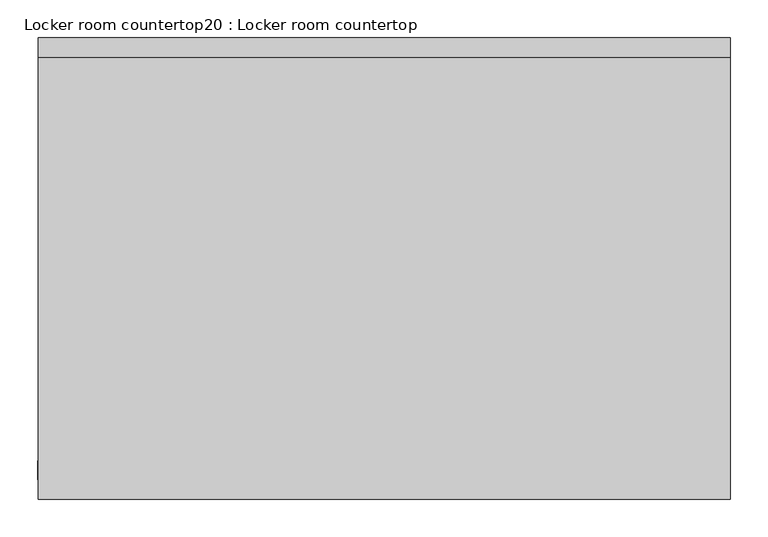
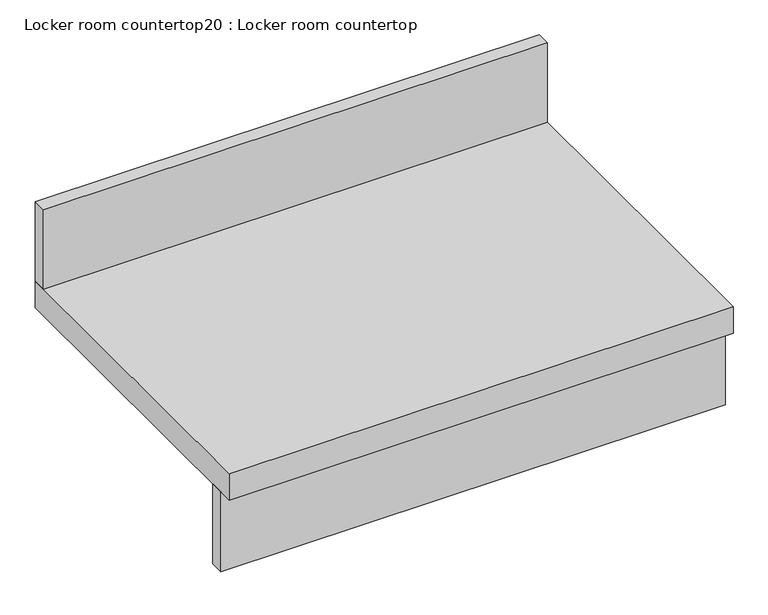
"""IFC4 building model written with IfcOpenShell, lengths in millimetres: furniture geometry, Locker room countertop20 : Locker room countertop."""

from ifc_helpers import new_model, si_unit, frame, origin, place, context, project, spatial, polyline, outline, extrude, source, transform, mapped, element, save


def locker_room_countertop20_locker_room_countertop_1794f9cd(model_context):
    return source(origin(), model_context, "Body", "SweptSolid", [
        extrude(outline(polyline([(593051.574014, -322135.3233948), (593051.574014, -322109.9233948), (593966.7780684, -322109.9233948), (593966.7780684, -322135.3233948), (593051.574014, -322135.3233948)])), frame((0.0, 0.0, 660.4), z_axis=(0.0, 0.0, 1.0), x_axis=(1.0, 0.0, 0.0)), (0.0, 0.0, 1.0), 152.4),
        extrude(outline(polyline([(593966.7780684, -321576.5233948), (593052.3780684, -321576.5233948), (593052.3780684, -321551.1233948), (593966.7780684, -321551.1233948), (593966.7780684, -321576.5233948)])), frame((0.0, 0.0, 863.6), z_axis=(0.0, 0.0, 1.0), x_axis=(1.0, 0.0, 0.0)), (0.0, 0.0, 1.0), 152.4),
        extrude(outline(polyline([(593966.7780684, -322160.7233948), (593052.3780684, -322160.7233948), (593052.3780684, -321551.1233948), (593966.7780684, -321551.1233948), (593966.7780684, -322160.7233948)])), frame((0.0, 0.0, 812.8), z_axis=(0.0, 0.0, 1.0), x_axis=(1.0, 0.0, 0.0)), (0.0, 0.0, 1.0), 50.8),
    ])


if __name__ == "__main__":
    model = new_model("IFC4")
    model_context = context("Model", 3, world=origin())
    ifc_project = project(units=[si_unit("LENGTHUNIT", "METRE", prefix="MILLI")], contexts=[model_context])
    site = spatial("IfcSite", under=ifc_project)
    building = spatial("IfcBuilding", under=site)
    placement = place(None, origin())
    locker_room_countertop20_locker_room_countertop_shape = locker_room_countertop20_locker_room_countertop_1794f9cd(model_context)
    element("IfcFurniture", 1, ObjectType="Locker room countertop20 : Locker room countertop", at=placement, inside=building, context=model_context, shape_type="MappedRepresentation", body=[
        mapped(locker_room_countertop20_locker_room_countertop_shape, transform((0.0, 0.0, 0.0), x_axis=(1.0, 0.0, 0.0), y_axis=(0.0, 1.0, 0.0), z_axis=(0.0, 0.0, 1.0))),
    ])
    save(model, "model.ifc")
